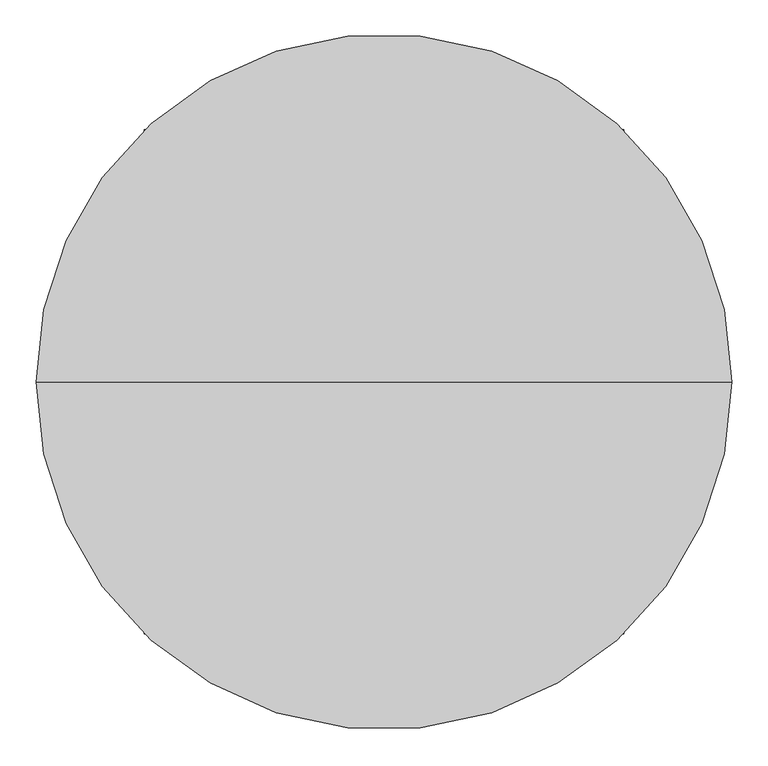
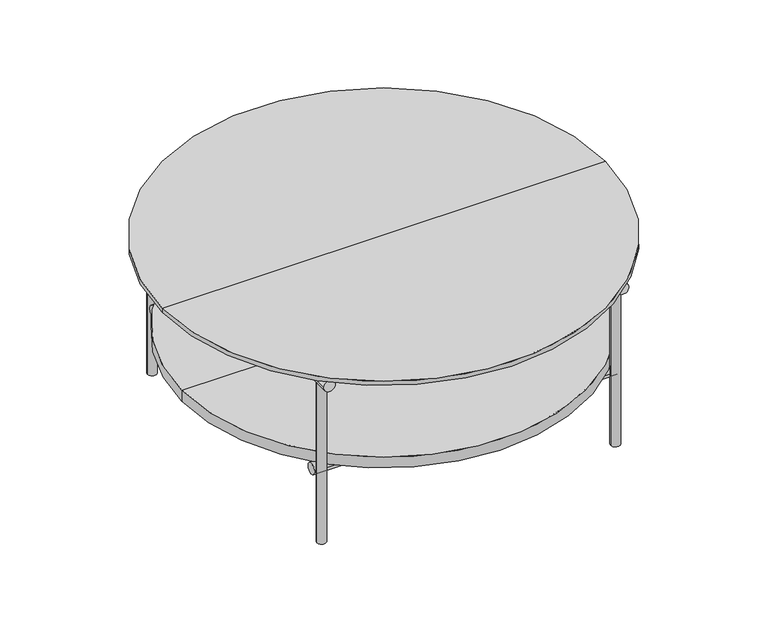
"""IFC4 building model written with IfcOpenShell, lengths in millimetres: furniture geometry."""

from ifc_helpers import new_model, si_unit, point, frame, frame_2d, origin, origin_with_axes, place, context, project, spatial, polyline, circle_curve, trimmed, segment, composite_curve, outline, extrude, source, transform, mapped, element, save
from ifc_brep_helpers import plane_surface, cylinder_surface, advanced_brep


def furniture_8b562404(model_context):
    return source(origin(), model_context, "Body", "SolidModel", [
        extrude(outline(composite_curve([segment(trimmed(circle_curve(frame_2d((-224.4814804, -276.0)), 10.0), [point((-216.5922296, -282.1448939))], [point((-224.4814804, -286.0))], False, "CARTESIAN"), True, "CONTINUOUS"), segment(polyline([(-224.4814804, -286.0), (-252.7638191, -286.0), (-252.7638191, -281.0), (-226.6804189, -281.0)]), True, "CONTINUOUS"), segment(trimmed(circle_curve(frame_2d((-226.6804189, -271.5)), 9.5), [point((-226.6804189, -281.0))], [point((-219.1856306, -277.3376492))], True, "CARTESIAN"), True, "CONTINUOUS"), segment(polyline([(-219.1856306, -277.3376492), (-3.1688687, 0.0), (-219.1856306, 277.3376492)]), True, "CONTINUOUS"), segment(trimmed(circle_curve(frame_2d((-226.6804189, 271.5)), 9.5), [point((-219.1856306, 277.3376492))], [point((-226.6804189, 281.0))], True, "CARTESIAN"), True, "CONTINUOUS"), segment(polyline([(-226.6804189, 281.0), (-252.7638191, 281.0), (-252.7638191, 286.0), (-224.4814804, 286.0)]), True, "CONTINUOUS"), segment(trimmed(circle_curve(frame_2d((-224.4814804, 276.0)), 10.0), [point((-224.4814804, 286.0))], [point((-216.5922296, 282.1448939))], False, "CARTESIAN"), True, "CONTINUOUS"), segment(polyline([(-216.5922296, 282.1448939), (0.0, 4.0684185), (216.5922296, 282.1448939)]), True, "CONTINUOUS"), segment(trimmed(circle_curve(frame_2d((224.4814804, 276.0)), 10.0), [point((216.5922296, 282.1448939))], [point((224.4814804, 286.0))], False, "CARTESIAN"), True, "CONTINUOUS"), segment(polyline([(224.4814804, 286.0), (252.7638191, 286.0), (252.7638191, 281.0), (226.6804189, 281.0)]), True, "CONTINUOUS"), segment(trimmed(circle_curve(frame_2d((226.6804189, 271.5)), 9.5), [point((226.6804189, 281.0))], [point((219.1856306, 277.3376492))], True, "CARTESIAN"), True, "CONTINUOUS"), segment(polyline([(219.1856306, 277.3376492), (3.1688687, 0.0), (219.1856306, -277.3376492)]), True, "CONTINUOUS"), segment(trimmed(circle_curve(frame_2d((226.6804189, -271.5)), 9.5), [point((219.1856306, -277.3376492))], [point((226.6804189, -281.0))], True, "CARTESIAN"), True, "CONTINUOUS"), segment(polyline([(226.6804189, -281.0), (252.7638191, -281.0), (252.7638191, -286.0), (224.4814804, -286.0)]), True, "CONTINUOUS"), segment(trimmed(circle_curve(frame_2d((224.4814804, -276.0)), 10.0), [point((224.4814804, -286.0))], [point((216.5922296, -282.1448939))], False, "CARTESIAN"), True, "CONTINUOUS"), segment(polyline([(216.5922296, -282.1448939), (0.0, -4.0684185), (-216.5922296, -282.1448939)]), True, "CONTINUOUS")], self_intersect=False)), frame((0.0, 0.0, 145.0), z_axis=(0.0, 0.0, 1.0), x_axis=(1.0, 0.0, 0.0)), (0.0, 0.0, 1.0), 25.0),
        extrude(outline(composite_curve([segment(trimmed(circle_curve(frame_2d((298.4476471, 157.5)), 12.5), [point((310.9476471, 157.5))], [point((285.9476471, 157.5))], False, "CARTESIAN"), True, "CONTINUOUS"), segment(trimmed(circle_curve(frame_2d((298.4476471, 157.5)), 12.5), [point((285.9476471, 157.5))], [point((310.9476471, 157.5))], False, "CARTESIAN"), True, "CONTINUOUS")], self_intersect=False)), frame((-329.9388973, 0.0, 0.0), z_axis=(1.0, 0.0, 0.0), x_axis=(0.0, 1.0, 0.0)), (0.0, 0.0, 1.0), 659.9563386),
        extrude(outline(composite_curve([segment(trimmed(circle_curve(frame_2d((-298.4476471, 157.5)), 12.5), [point((-310.9476471, 157.5))], [point((-285.9476471, 157.5))], False, "CARTESIAN"), True, "CONTINUOUS"), segment(trimmed(circle_curve(frame_2d((-298.4476471, 157.5)), 12.5), [point((-285.9476471, 157.5))], [point((-310.9476471, 157.5))], False, "CARTESIAN"), True, "CONTINUOUS")], self_intersect=False)), frame((-329.9388973, 0.0, 0.0), z_axis=(1.0, 0.0, 0.0), x_axis=(0.0, 1.0, 0.0)), (0.0, 0.0, 1.0), 659.9563386),
        extrude(outline(composite_curve([segment(trimmed(circle_curve(frame_2d((375.5, -320.0)), 12.5), [point((375.5, -332.5))], [point((375.5, -307.5))], False, "CARTESIAN"), True, "CONTINUOUS"), segment(trimmed(circle_curve(frame_2d((375.5, -320.0)), 12.5), [point((375.5, -307.5))], [point((375.5, -332.5))], False, "CARTESIAN"), True, "CONTINUOUS")], self_intersect=False)), frame((0.0, -350.0, 0.0), z_axis=(0.0, 1.0, 0.0), x_axis=(0.0, 0.0, 1.0)), (0.0, 0.0, 1.0), 700.0),
        extrude(outline(composite_curve([segment(trimmed(circle_curve(frame_2d((375.5, 320.0)), 12.5), [point((375.5, 332.5))], [point((375.5, 307.5))], False, "CARTESIAN"), True, "CONTINUOUS"), segment(trimmed(circle_curve(frame_2d((375.5, 320.0)), 12.5), [point((375.5, 307.5))], [point((375.5, 332.5))], False, "CARTESIAN"), True, "CONTINUOUS")], self_intersect=False)), frame((0.0, -350.0, 0.0), z_axis=(0.0, 1.0, 0.0), x_axis=(0.0, 0.0, 1.0)), (0.0, 0.0, 1.0), 700.0),
        extrude(outline(composite_curve([segment(trimmed(circle_curve(frame_2d((-320.0, 320.0)), 7.4622037), [point((-327.4622037, 320.0))], [point((-312.5377963, 320.0))], False, "CARTESIAN"), True, "CONTINUOUS"), segment(trimmed(circle_curve(frame_2d((-320.0, 320.0)), 7.4622037), [point((-312.5377963, 320.0))], [point((-327.4622037, 320.0))], False, "CARTESIAN"), True, "CONTINUOUS")], self_intersect=False)), frame((0.0, 0.0, 375.5), z_axis=(0.0, 0.0, 1.0), x_axis=(1.0, 0.0, 0.0)), (0.0, 0.0, 1.0), 14.5),
        extrude(outline(composite_curve([segment(trimmed(circle_curve(frame_2d((320.0, 320.0)), 7.4622037), [point((327.4622037, 320.0))], [point((312.5377963, 320.0))], False, "CARTESIAN"), True, "CONTINUOUS"), segment(trimmed(circle_curve(frame_2d((320.0, 320.0)), 7.4622037), [point((312.5377963, 320.0))], [point((327.4622037, 320.0))], False, "CARTESIAN"), True, "CONTINUOUS")], self_intersect=False)), frame((0.0, 0.0, 375.5), z_axis=(0.0, 0.0, 1.0), x_axis=(1.0, 0.0, 0.0)), (0.0, 0.0, 1.0), 14.5),
        extrude(outline(composite_curve([segment(trimmed(circle_curve(frame_2d((-320.0, -320.0)), 7.4622037), [point((-327.4622037, -320.0))], [point((-312.5377963, -320.0))], False, "CARTESIAN"), True, "CONTINUOUS"), segment(trimmed(circle_curve(frame_2d((-320.0, -320.0)), 7.4622037), [point((-312.5377963, -320.0))], [point((-327.4622037, -320.0))], False, "CARTESIAN"), True, "CONTINUOUS")], self_intersect=False)), frame((0.0, 0.0, 375.5), z_axis=(0.0, 0.0, 1.0), x_axis=(1.0, 0.0, 0.0)), (0.0, 0.0, 1.0), 14.5),
        extrude(outline(composite_curve([segment(trimmed(circle_curve(frame_2d((320.0, -320.0)), 7.4622037), [point((327.4622037, -320.0))], [point((312.5377963, -320.0))], False, "CARTESIAN"), True, "CONTINUOUS"), segment(trimmed(circle_curve(frame_2d((320.0, -320.0)), 7.4622037), [point((312.5377963, -320.0))], [point((327.4622037, -320.0))], False, "CARTESIAN"), True, "CONTINUOUS")], self_intersect=False)), frame((0.0, 0.0, 375.5), z_axis=(0.0, 0.0, 1.0), x_axis=(1.0, 0.0, 0.0)), (0.0, 0.0, 1.0), 14.5),
        extrude(outline(composite_curve([segment(trimmed(circle_curve(frame_2d((-320.0, -320.0)), 10.0), [point((-330.0, -320.0))], [point((-310.0, -320.0))], False, "CARTESIAN"), True, "CONTINUOUS"), segment(trimmed(circle_curve(frame_2d((-320.0, -320.0)), 10.0), [point((-310.0, -320.0))], [point((-330.0, -320.0))], False, "CARTESIAN"), True, "CONTINUOUS")], self_intersect=False)), origin_with_axes(), (0.0, 0.0, 1.0), 375.5),
        extrude(outline(composite_curve([segment(trimmed(circle_curve(frame_2d((320.0, -320.0)), 10.0), [point((330.0, -320.0))], [point((310.0, -320.0))], False, "CARTESIAN"), True, "CONTINUOUS"), segment(trimmed(circle_curve(frame_2d((320.0, -320.0)), 10.0), [point((310.0, -320.0))], [point((330.0, -320.0))], False, "CARTESIAN"), True, "CONTINUOUS")], self_intersect=False)), origin_with_axes(), (0.0, 0.0, 1.0), 375.5),
        extrude(outline(composite_curve([segment(trimmed(circle_curve(frame_2d((-320.0, 320.0)), 10.0), [point((-330.0, 320.0))], [point((-310.0, 320.0))], False, "CARTESIAN"), True, "CONTINUOUS"), segment(trimmed(circle_curve(frame_2d((-320.0, 320.0)), 10.0), [point((-310.0, 320.0))], [point((-330.0, 320.0))], False, "CARTESIAN"), True, "CONTINUOUS")], self_intersect=False)), origin_with_axes(), (0.0, 0.0, 1.0), 375.5),
        extrude(outline(composite_curve([segment(trimmed(circle_curve(frame_2d((320.0, 320.0)), 10.0), [point((330.0, 320.0))], [point((310.0, 320.0))], False, "CARTESIAN"), True, "CONTINUOUS"), segment(trimmed(circle_curve(frame_2d((320.0, 320.0)), 10.0), [point((310.0, 320.0))], [point((330.0, 320.0))], False, "CARTESIAN"), True, "CONTINUOUS")], self_intersect=False)), origin_with_axes(), (0.0, 0.0, 1.0), 375.5),
        advanced_brep(
        [(-482.7589989, 0.0, 389.9999857), (482.7589989, 0.0, 389.9999857), (0.0, 0.0, 389.9999857), (0.0, 0.0, 400.0), (482.7589989, 0.0, 400.0), (-482.7589989, 0.0, 400.0)],
        [
            (0, 1, circle_curve(frame((0.0, 0.0, 389.9999857), z_axis=(0.0, 0.0, -1.0), x_axis=(1.0, 0.0, 0.0)), 482.7589989)),
            (1, 2),
            (2, 0),
            (1, 0, circle_curve(frame((0.0, 0.0, 389.9999857), z_axis=(0.0, 0.0, -1.0), x_axis=(1.0, 0.0, 0.0)), 482.7589989)),
            (3, 4),
            (4, 5, circle_curve(frame((0.0, 0.0, 400.0), z_axis=(0.0, 0.0, 1.0), x_axis=(1.0, 0.0, 0.0)), 482.7589989)),
            (5, 3),
            (5, 4, circle_curve(frame((0.0, 0.0, 400.0), z_axis=(0.0, 0.0, 1.0), x_axis=(1.0, 0.0, 0.0)), 482.7589989)),
            (4, 1),
            (0, 5),
        ],
        [
            plane_surface(frame((0.0, 0.0, 389.9999857), z_axis=(0.0, 0.0, -1.0), x_axis=(1.0, 0.0, 0.0))),
            plane_surface(frame((0.0, 0.0, 400.0), z_axis=(0.0, 0.0, 1.0), x_axis=(1.0, 0.0, 0.0))),
            cylinder_surface(frame((0.0, 0.0, 527.1455055), z_axis=(0.0, 0.0, 1.0), x_axis=(1.0, 0.0, 0.0)), 482.7589989),
        ],
        [
            (0, [[1, 2, 3]]),
            (0, [[4, -3, -2]]),
            (1, [[5, 6, 7]]),
            (1, [[-7, 8, -5]]),
            (2, [[-6, 9, -1, 10]]),
            (2, [[-8, -10, -4, -9]]),
        ],
    ),
        advanced_brep(
        [(-439.5483434, 0.0, 169.9999869), (439.5483434, 0.0, 169.9999869), (0.0, 0.0, 169.9999869), (0.0, 0.0, 195.0), (439.5483434, 0.0, 195.0), (-439.5483434, 0.0, 195.0)],
        [
            (0, 1, circle_curve(frame((0.0, 0.0, 169.9999869), z_axis=(0.0, 0.0, -1.0), x_axis=(1.0, 0.0, 0.0)), 439.5483434)),
            (1, 2),
            (2, 0),
            (1, 0, circle_curve(frame((0.0, 0.0, 169.9999869), z_axis=(0.0, 0.0, -1.0), x_axis=(1.0, 0.0, 0.0)), 439.5483434)),
            (3, 4),
            (4, 5, circle_curve(frame((0.0, 0.0, 195.0), z_axis=(0.0, 0.0, 1.0), x_axis=(1.0, 0.0, 0.0)), 439.5483434)),
            (5, 3),
            (5, 4, circle_curve(frame((0.0, 0.0, 195.0), z_axis=(0.0, 0.0, 1.0), x_axis=(1.0, 0.0, 0.0)), 439.5483434)),
            (4, 1),
            (0, 5),
        ],
        [
            plane_surface(frame((0.0, 0.0, 169.9999869), z_axis=(0.0, 0.0, -1.0), x_axis=(1.0, 0.0, 0.0))),
            plane_surface(frame((0.0, 0.0, 195.0), z_axis=(0.0, 0.0, 1.0), x_axis=(1.0, 0.0, 0.0))),
            cylinder_surface(frame((0.0, 0.0, 527.1455055), z_axis=(0.0, 0.0, 1.0), x_axis=(1.0, 0.0, 0.0)), 439.5483434),
        ],
        [
            (0, [[1, 2, 3]]),
            (0, [[4, -3, -2]]),
            (1, [[5, 6, 7]]),
            (1, [[-7, 8, -5]]),
            (2, [[-6, 9, -1, 10]]),
            (2, [[-8, -10, -4, -9]]),
        ],
    ),
    ])


if __name__ == "__main__":
    model = new_model("IFC4")
    model_context = context("Model", 3, world=origin())
    ifc_project = project(units=[si_unit("LENGTHUNIT", "METRE", prefix="MILLI")], contexts=[model_context])
    site = spatial("IfcSite", under=ifc_project)
    building = spatial("IfcBuilding", under=site)
    placement = place(None, origin())
    furniture_shape = furniture_8b562404(model_context)
    element("IfcFurniture", 1, at=placement, inside=building, context=model_context, shape_type="MappedRepresentation", body=[
        mapped(furniture_shape, transform((0.0, 0.0, 0.0), x_axis=(1.0, 0.0, 0.0), y_axis=(0.0, 1.0, 0.0), z_axis=(0.0, 0.0, 1.0))),
    ])
    save(model, "model.ifc")
